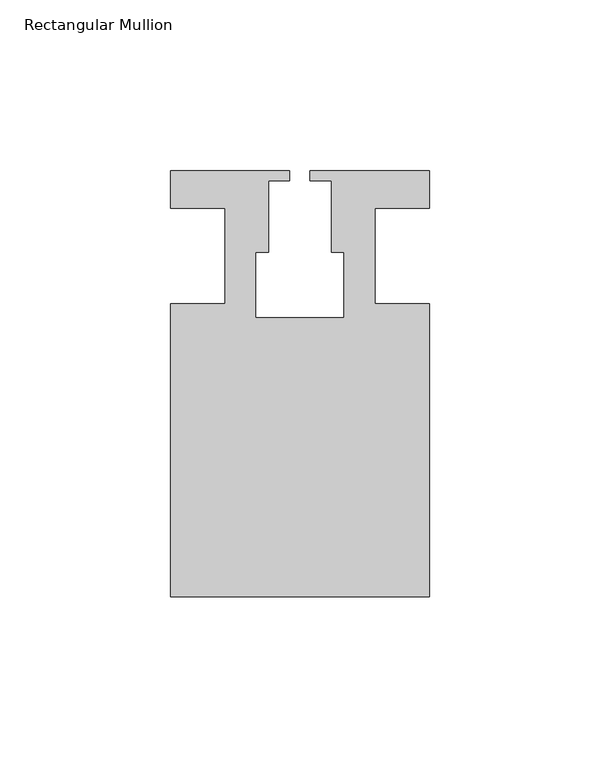
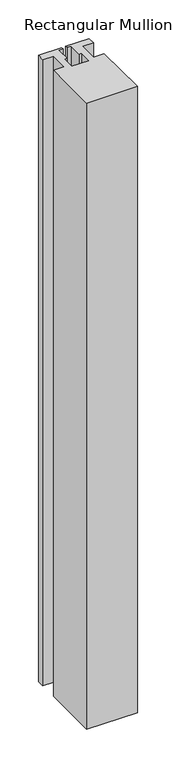
"""IFC4 building model written with IfcOpenShell, lengths in millimetres: member geometry, Rectangular Mullion."""

from ifc_helpers import new_model, si_unit, frame, origin, place, context, project, spatial, polyline, outline, extrude, source, transform, mapped, element, save


def rectangular_mullion_97ff59fb(model_context):
    return source(origin(), model_context, "Body", "SweptSolid", [
        extrude(outline(polyline([(37.9999914, -99.9960123), (-37.9999896, -99.9960123), (-37.9999896, -13.9960123), (-21.9999633, -13.9960123), (-21.9999633, 14.0039877), (-37.9999896, 14.0039877), (-37.9999896, 25.0039877), (-2.9999896, 25.0039877), (-2.9999896, 22.0039877), (-9.1999633, 22.0039877), (-9.1999633, 1.0039877), (-12.9999633, 1.0039877), (-12.9999633, -18.1960075), (12.9999651, -18.1960075), (12.9999651, 1.0039877), (9.1999651, 1.0039877), (9.1999651, 22.0039877), (2.9999651, 22.0039877), (2.9999651, 25.0039877), (37.9999896, 25.0039877), (37.9999896, 14.0039877), (21.9999651, 14.0039877), (21.9999651, -13.9960123), (37.9999914, -13.9960123), (37.9999914, -99.9960123)])), frame((0.0, 0.0, -990.6595328), z_axis=(0.0, 0.0, 1.0), x_axis=(1.0, 0.0, 0.0)), (0.0, 0.0, 1.0), 990.6595328),
    ])


if __name__ == "__main__":
    model = new_model("IFC4")
    model_context = context("Model", 3, world=origin())
    ifc_project = project(units=[si_unit("LENGTHUNIT", "METRE", prefix="MILLI")], contexts=[model_context])
    site = spatial("IfcSite", under=ifc_project)
    building = spatial("IfcBuilding", under=site)
    placement = place(None, origin())
    rectangular_mullion_shape = rectangular_mullion_97ff59fb(model_context)
    element("IfcMember", 1, ObjectType="Rectangular Mullion", at=placement, inside=building, context=model_context, shape_type="MappedRepresentation", body=[
        mapped(rectangular_mullion_shape, transform((0.0, 0.0, 0.0), x_axis=(1.0, 0.0, 0.0), y_axis=(0.0, 1.0, 0.0), z_axis=(0.0, 0.0, 1.0))),
    ])
    save(model, "model.ifc")
